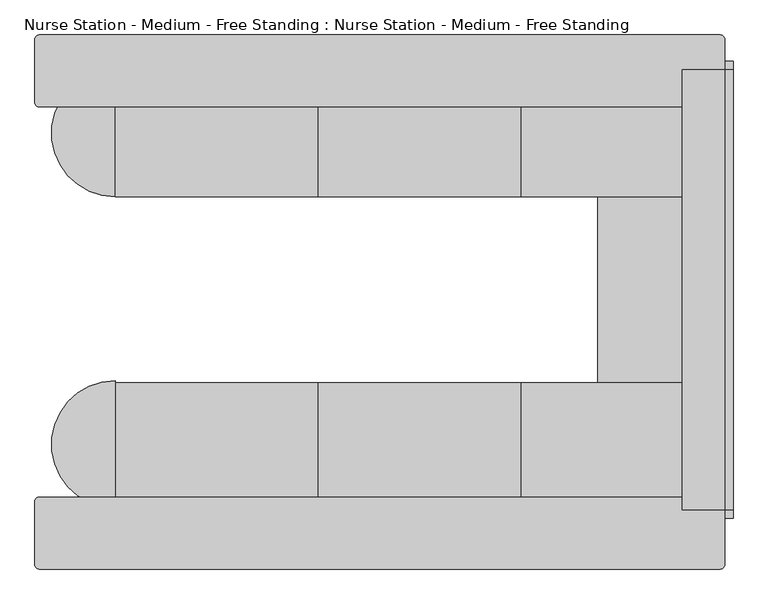
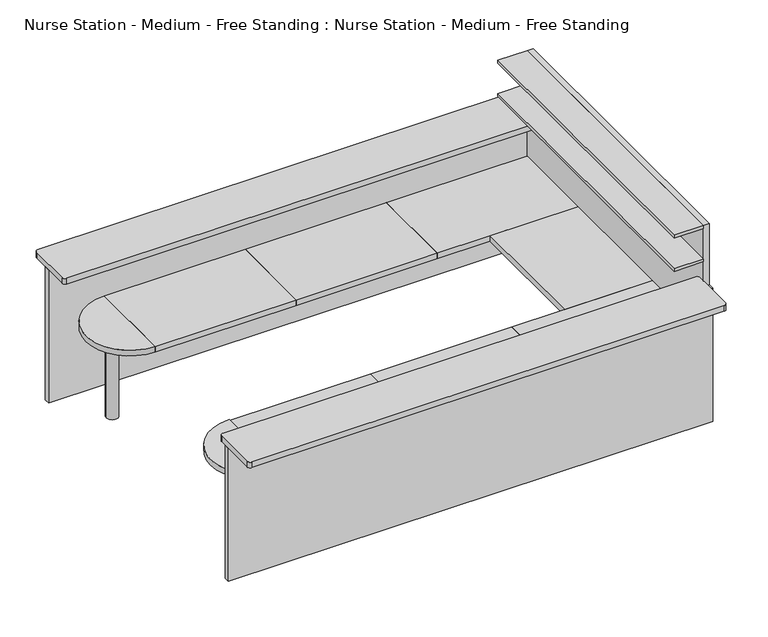
"""IFC4 building model written with IfcOpenShell, lengths in millimetres: furniture geometry, Nurse Station - Medium - Free Standing : Nurse Station - Medium - Free Standing."""

from ifc_helpers import new_model, si_unit, point, frame, frame_2d, origin, origin_with_axes, place, context, project, spatial, polyline, circle_curve, trimmed, segment, composite_curve, outline, extrude, source, transform, mapped, element, save


def nurse_station_medium_free_standing_nurse_station_medium_free_2794bb42(model_context):
    return source(origin(), model_context, "Body", "SweptSolid", [
        extrude(outline(composite_curve([segment(trimmed(circle_curve(frame_2d((4749.8, 3179.4021528)), 25.4), [point((4749.8, 3204.8021528))], [point((4775.2, 3179.4021528))], False, "CARTESIAN"), True, "CONTINUOUS"), segment(polyline([(4775.2, 3179.4021528), (4775.2, 2798.4021528)]), True, "CONTINUOUS"), segment(trimmed(circle_curve(frame_2d((4749.8, 2798.4021528)), 25.4), [point((4775.2, 2798.4021528))], [point((4749.8, 2773.0021528))], False, "CARTESIAN"), True, "CONTINUOUS"), segment(polyline([(4749.8, 2773.0021528), (661.9421948, 2773.0021528)]), True, "CONTINUOUS"), segment(trimmed(circle_curve(frame_2d((661.9421948, 2798.4021528)), 25.4), [point((661.9421948, 2773.0021528))], [point((636.5421948, 2798.4021528))], False, "CARTESIAN"), True, "CONTINUOUS"), segment(polyline([(636.5421948, 2798.4021528), (636.5421948, 3179.4021528)]), True, "CONTINUOUS"), segment(trimmed(circle_curve(frame_2d((661.9421948, 3179.4021528)), 25.4), [point((636.5421948, 3179.4021528))], [point((661.9421948, 3204.8021528))], False, "CARTESIAN"), True, "CONTINUOUS"), segment(polyline([(661.9421948, 3204.8021528), (4749.8, 3204.8021528)]), True, "CONTINUOUS")], self_intersect=False)), frame((0.0, 0.0, 1219.2), z_axis=(0.0, 0.0, 1.0), x_axis=(1.0, 0.0, 0.0)), (0.0, 0.0, 1.0), 50.8),
        extrude(outline(composite_curve([segment(trimmed(circle_curve(frame_2d((965.2, 748.6021528)), 50.8), [point((914.4, 748.6021528))], [point((1016.0, 748.6021528))], False, "CARTESIAN"), True, "CONTINUOUS"), segment(trimmed(circle_curve(frame_2d((965.2, 748.6021528)), 50.8), [point((1016.0, 748.6021528))], [point((914.4, 748.6021528))], False, "CARTESIAN"), True, "CONTINUOUS")], self_intersect=False)), origin_with_axes(), (0.0, 0.0, 1.0), 762.0),
        extrude(outline(composite_curve([segment(polyline([(1117.6, 1129.6021528), (1117.6, 367.6021528)]), True, "CONTINUOUS"), segment(trimmed(circle_curve(frame_2d((1117.6, 748.6021528)), 381.0), [point((1117.6, 367.6021528))], [point((1117.6, 1129.6021528))], False, "CARTESIAN"), True, "CONTINUOUS")], self_intersect=False)), frame((0.0, 0.0, 762.0), z_axis=(0.0, 0.0, 1.0), x_axis=(1.0, 0.0, 0.0)), (0.0, 0.0, 1.0), 50.8),
        extrude(outline(polyline([(4521.2, 2997.2), (4775.2, 2997.2), (4775.2, 355.6), (4521.2, 355.6), (4521.2, 2997.2)])), frame((0.0, 0.0, 1447.8), z_axis=(0.0, 0.0, 1.0), x_axis=(1.0, 0.0, 0.0)), (0.0, 0.0, 1.0), 25.4),
        extrude(outline(polyline([(4521.2, 2997.2), (4775.2, 2997.2), (4775.2, 355.6), (4521.2, 355.6), (4521.2, 2997.2)])), frame((0.0, 0.0, 1752.6), z_axis=(0.0, 0.0, 1.0), x_axis=(1.0, 0.0, 0.0)), (0.0, 0.0, 1.0), 25.4),
        extrude(outline(polyline([(4775.2, 2997.2), (4826.0, 2997.2), (4826.0, 355.6), (4775.2, 355.6), (4775.2, 2997.2)])), origin_with_axes(), (0.0, 0.0, 1.0), 1778.0),
        extrude(outline(polyline([(4775.2, 2997.2), (4775.2, 2235.2), (3556.0, 2235.2), (3556.0, 2997.2), (4775.2, 2997.2)])), frame((0.0, 0.0, 762.0), z_axis=(0.0, 0.0, 1.0), x_axis=(1.0, 0.0, 0.0)), (0.0, 0.0, 1.0), 50.8),
        extrude(outline(polyline([(3556.0, 2997.2), (3556.0, 2235.2), (2336.8, 2235.2), (2336.8, 2997.2), (3556.0, 2997.2)])), frame((0.0, 0.0, 762.0), z_axis=(0.0, 0.0, 1.0), x_axis=(1.0, 0.0, 0.0)), (0.0, 0.0, 1.0), 50.8),
        extrude(outline(polyline([(2336.8, 2997.2), (2336.8, 2235.2), (1117.6, 2235.2), (1117.6, 2997.2), (2336.8, 2997.2)])), frame((0.0, 0.0, 762.0), z_axis=(0.0, 0.0, 1.0), x_axis=(1.0, 0.0, 0.0)), (0.0, 0.0, 1.0), 50.8),
        extrude(outline(polyline([(4775.2, 1117.6), (4775.2, 355.6), (3556.0, 355.6), (3556.0, 1117.6), (4775.2, 1117.6)])), frame((0.0, 0.0, 762.0), z_axis=(0.0, 0.0, 1.0), x_axis=(1.0, 0.0, 0.0)), (0.0, 0.0, 1.0), 50.8),
        extrude(outline(polyline([(3556.0, 1117.6), (3556.0, 355.6), (2336.8, 355.6), (2336.8, 1117.6), (3556.0, 1117.6)])), frame((0.0, 0.0, 762.0), z_axis=(0.0, 0.0, 1.0), x_axis=(1.0, 0.0, 0.0)), (0.0, 0.0, 1.0), 50.8),
        extrude(outline(composite_curve([segment(trimmed(circle_curve(frame_2d((965.2, 2616.2)), 50.8), [point((914.4, 2616.2))], [point((1016.0, 2616.2))], False, "CARTESIAN"), True, "CONTINUOUS"), segment(trimmed(circle_curve(frame_2d((965.2, 2616.2)), 50.8), [point((1016.0, 2616.2))], [point((914.4, 2616.2))], False, "CARTESIAN"), True, "CONTINUOUS")], self_intersect=False)), origin_with_axes(), (0.0, 0.0, 1.0), 762.0),
        extrude(outline(composite_curve([segment(trimmed(circle_curve(frame_2d((1117.6, 2616.2)), 381.0), [point((1117.6, 2235.2))], [point((1117.6, 2997.2))], False, "CARTESIAN"), True, "CONTINUOUS"), segment(polyline([(1117.6, 2997.2), (1117.6, 2235.2)]), True, "CONTINUOUS")], self_intersect=False)), frame((0.0, 0.0, 762.0), z_axis=(0.0, 0.0, 1.0), x_axis=(1.0, 0.0, 0.0)), (0.0, 0.0, 1.0), 50.8),
        extrude(outline(polyline([(4775.2, 2235.2), (4775.2, 1117.6), (4013.2, 1117.6), (4013.2, 2235.2), (4775.2, 2235.2)])), frame((0.0, 0.0, 762.0), z_axis=(0.0, 0.0, 1.0), x_axis=(1.0, 0.0, 0.0)), (0.0, 0.0, 1.0), 50.8),
        extrude(outline(polyline([(2336.8, 1117.6), (2336.8, 355.6), (1117.6, 355.6), (1117.6, 1117.6), (2336.8, 1117.6)])), frame((0.0, 0.0, 762.0), z_axis=(0.0, 0.0, 1.0), x_axis=(1.0, 0.0, 0.0)), (0.0, 0.0, 1.0), 50.8),
        extrude(outline(composite_curve([segment(polyline([(4749.8, 0.0), (661.9421948, 0.0)]), True, "CONTINUOUS"), segment(trimmed(circle_curve(frame_2d((661.9421948, 25.4)), 25.4), [point((661.9421948, 0.0))], [point((636.5421948, 25.4))], False, "CARTESIAN"), True, "CONTINUOUS"), segment(polyline([(636.5421948, 25.4), (636.5421948, 406.4)]), True, "CONTINUOUS"), segment(trimmed(circle_curve(frame_2d((661.9421948, 406.4)), 25.4), [point((636.5421948, 406.4))], [point((661.9421948, 431.8))], False, "CARTESIAN"), True, "CONTINUOUS"), segment(polyline([(661.9421948, 431.8), (4749.8, 431.8)]), True, "CONTINUOUS"), segment(trimmed(circle_curve(frame_2d((4749.8, 406.4)), 25.4), [point((4749.8, 431.8))], [point((4775.2, 406.4))], False, "CARTESIAN"), True, "CONTINUOUS"), segment(polyline([(4775.2, 406.4), (4775.2, 25.4)]), True, "CONTINUOUS"), segment(trimmed(circle_curve(frame_2d((4749.8, 25.4)), 25.4), [point((4775.2, 25.4))], [point((4749.8, 0.0))], False, "CARTESIAN"), True, "CONTINUOUS")], self_intersect=False)), frame((0.0, 0.0, 1219.2), z_axis=(0.0, 0.0, 1.0), x_axis=(1.0, 0.0, 0.0)), (0.0, 0.0, 1.0), 50.8),
        extrude(outline(polyline([(4826.0, 3048.0), (4826.0, 2997.2), (636.5421948, 2997.2), (636.5421948, 3048.0), (4826.0, 3048.0)])), origin_with_axes(), (0.0, 0.0, 1.0), 1219.2),
        extrude(outline(polyline([(4826.0, 304.8), (636.5421948, 304.8), (636.5421948, 355.6), (4826.0, 355.6), (4826.0, 304.8)])), origin_with_axes(), (0.0, 0.0, 1.0), 1219.2),
    ])


if __name__ == "__main__":
    model = new_model("IFC4")
    model_context = context("Model", 3, world=origin())
    ifc_project = project(units=[si_unit("LENGTHUNIT", "METRE", prefix="MILLI")], contexts=[model_context])
    site = spatial("IfcSite", under=ifc_project)
    building = spatial("IfcBuilding", under=site)
    placement = place(None, origin())
    nurse_station_medium_free_standing_nurse_station_medium_free_shape = nurse_station_medium_free_standing_nurse_station_medium_free_2794bb42(model_context)
    element("IfcFurniture", 1, ObjectType="Nurse Station - Medium - Free Standing : Nurse Station - Medium - Free Standing", at=placement, inside=building, context=model_context, shape_type="MappedRepresentation", body=[
        mapped(nurse_station_medium_free_standing_nurse_station_medium_free_shape, transform((0.0, 0.0, 0.0), x_axis=(1.0, 0.0, 0.0), y_axis=(0.0, 1.0, 0.0), z_axis=(0.0, 0.0, 1.0))),
    ])
    save(model, "model.ifc")
